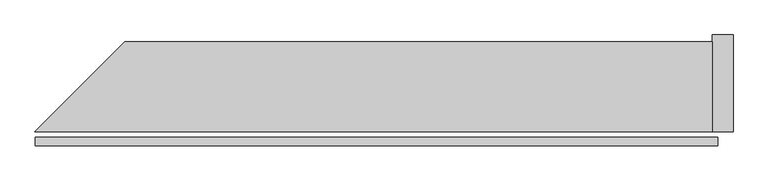
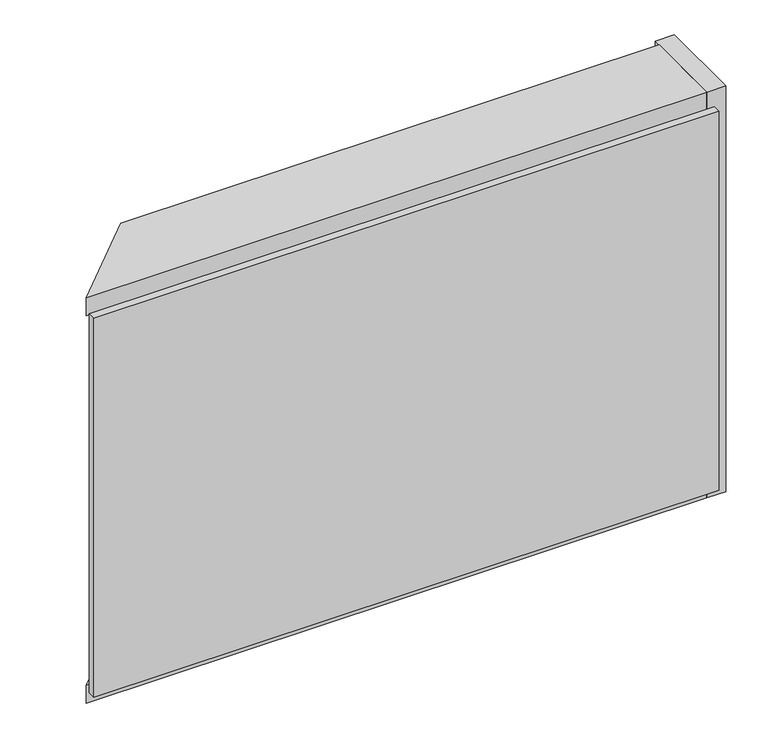
"""IFC4 building model written with IfcOpenShell, lengths in millimetres: plate geometry."""

from ifc_helpers import new_model, si_unit, frame, origin, origin_with_axes, place, context, project, spatial, polyline, outline, extrude, source, transform, mapped, element, save


def plate_d5cc1e31(model_context):
    return source(origin(), model_context, "Body", "SweptSolid", [
        extrude(outline(polyline([(986.5, 0.0), (-986.5, 0.0), (-986.5, 25.0), (986.5, 25.0), (986.5, 0.0)])), origin_with_axes(), (0.0, 0.0, 1.0), 1264.465707),
        extrude(outline(polyline([(971.5, 221.0), (971.5, 41.0), (-987.0735931, 41.0), (-807.0735931, 221.0), (971.5, 221.0)])), frame((0.0, 0.0, -45.0), z_axis=(0.0, 0.0, 1.0), x_axis=(1.0, 0.0, 0.0)), (0.0, 0.0, 1.0), 60.0),
        extrude(outline(polyline([(971.5, 301.0), (971.5, 41.0), (-987.0735931, 41.0), (-727.0735931, 301.0), (971.5, 301.0)])), frame((0.0, 0.0, 1249.465707), z_axis=(0.0, 0.0, 1.0), x_axis=(1.0, 0.0, 0.0)), (0.0, 0.0, 1.0), 60.0),
        extrude(outline(polyline([(1031.5, 41.0), (971.5, 41.0), (971.5, 321.0), (1031.5, 321.0), (1031.5, 41.0)])), frame((0.0, 0.0, -45.0), z_axis=(0.0, 0.0, 1.0), x_axis=(1.0, 0.0, 0.0)), (0.0, 0.0, 1.0), 1354.465707),
    ])


if __name__ == "__main__":
    model = new_model("IFC4")
    model_context = context("Model", 3, world=origin())
    ifc_project = project(units=[si_unit("LENGTHUNIT", "METRE", prefix="MILLI")], contexts=[model_context])
    site = spatial("IfcSite", under=ifc_project)
    building = spatial("IfcBuilding", under=site)
    placement = place(None, origin())
    plate_shape = plate_d5cc1e31(model_context)
    element("IfcPlate", 1, at=placement, inside=building, context=model_context, shape_type="MappedRepresentation", body=[
        mapped(plate_shape, transform((0.0, 0.0, 0.0), x_axis=(1.0, 0.0, 0.0), y_axis=(0.0, 1.0, 0.0), z_axis=(0.0, 0.0, 1.0))),
    ])
    save(model, "model.ifc")
